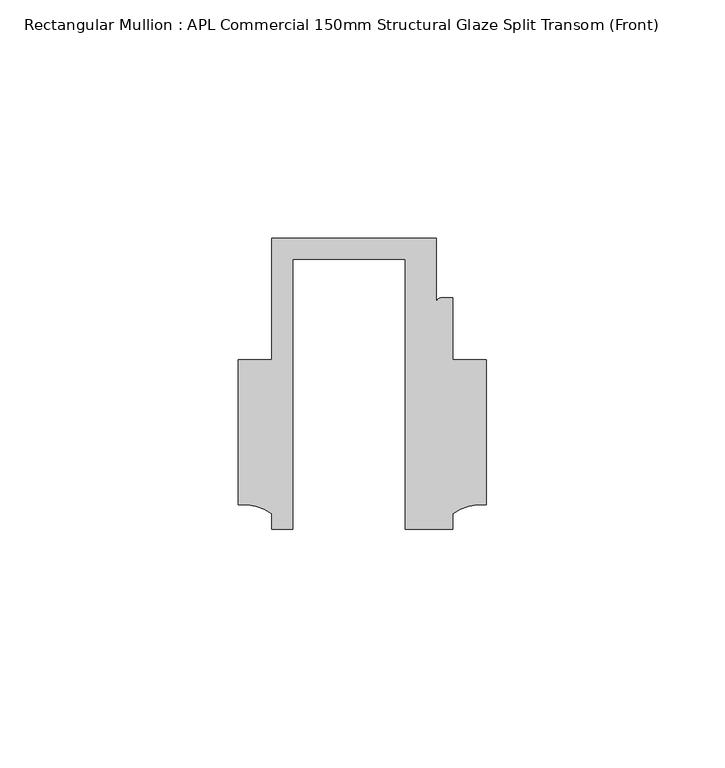
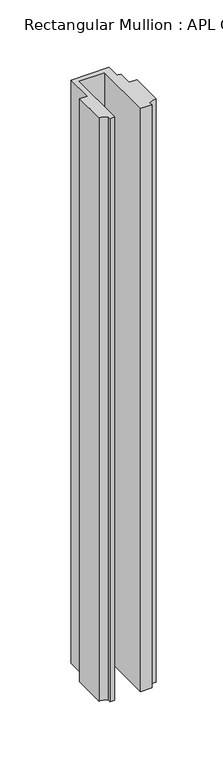
"""IFC4 building model written with IfcOpenShell, lengths in millimetres: member geometry, Rectangular Mullion : APL Commercial 150mm Structural Glaze Split Transom (Front)."""

from ifc_helpers import new_model, si_unit, point, frame, frame_2d, origin, place, context, project, spatial, polyline, circle_curve, trimmed, segment, composite_curve, outline, extrude, source, transform, mapped, element, save


def rectangular_mullion_apl_commercial_150mm_structural_glaze_a48be853(model_context):
    return source(origin(), model_context, "Body", "SweptSolid", [
        extrude(outline(composite_curve([segment(polyline([(-23.5949354, -20.5), (-28.0000482, -20.5), (-28.0000482, -17.3123419)]), True, "CONTINUOUS"), segment(trimmed(circle_curve(frame_2d((-34.10985, -25.7980019)), 10.4563907), [point((-28.0000482, -17.3123419))], [point((-34.9999873, -15.3795682))], True, "CARTESIAN"), True, "CONTINUOUS"), segment(polyline([(-34.9999873, -15.3795682), (-34.9999873, 15.001276), (-28.0000482, 15.001276), (-28.0000482, 40.499932), (6.5000029, 40.499932), (6.5000029, 27.0002131)]), True, "CONTINUOUS"), segment(trimmed(circle_curve(frame_2d((7.5000029, 27.0002131)), 1.0), [point((6.5000029, 27.0002131))], [point((7.5000029, 28.0002131))], False, "CARTESIAN"), True, "CONTINUOUS"), segment(polyline([(7.5000029, 28.0002131), (10.0000029, 28.0002131), (10.0000029, 15.0004617), (16.999942, 15.0004617), (16.999942, -15.3793686)]), True, "CONTINUOUS"), segment(trimmed(circle_curve(frame_2d((16.1098048, -25.7978024)), 10.4563907), [point((16.999942, -15.3793686))], [point((10.0000029, -17.3121423))], True, "CARTESIAN"), True, "CONTINUOUS"), segment(polyline([(10.0000029, -17.3121423), (10.0000029, -20.5), (0.0, -20.5), (0.0, 36.1008577), (-23.5949354, 36.1008577), (-23.5949354, -20.5)]), True, "CONTINUOUS")], self_intersect=False)), frame((0.0, 0.0, -559.5830103), z_axis=(0.0, 0.0, 1.0), x_axis=(1.0, 0.0, 0.0)), (0.0, 0.0, 1.0), 559.5830103),
    ])


if __name__ == "__main__":
    model = new_model("IFC4")
    model_context = context("Model", 3, world=origin())
    ifc_project = project(units=[si_unit("LENGTHUNIT", "METRE", prefix="MILLI")], contexts=[model_context])
    site = spatial("IfcSite", under=ifc_project)
    building = spatial("IfcBuilding", under=site)
    placement = place(None, origin())
    rectangular_mullion_apl_commercial_150mm_structural_glaze_shape = rectangular_mullion_apl_commercial_150mm_structural_glaze_a48be853(model_context)
    element("IfcMember", 1, ObjectType="Rectangular Mullion : APL Commercial 150mm Structural Glaze Split Transom (Front)", at=placement, inside=building, context=model_context, shape_type="MappedRepresentation", body=[
        mapped(rectangular_mullion_apl_commercial_150mm_structural_glaze_shape, transform((0.0, 0.0, 0.0), x_axis=(1.0, 0.0, 0.0), y_axis=(0.0, 1.0, 0.0), z_axis=(0.0, 0.0, 1.0))),
    ])
    save(model, "model.ifc")
